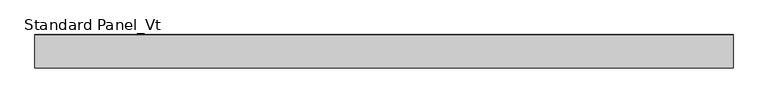
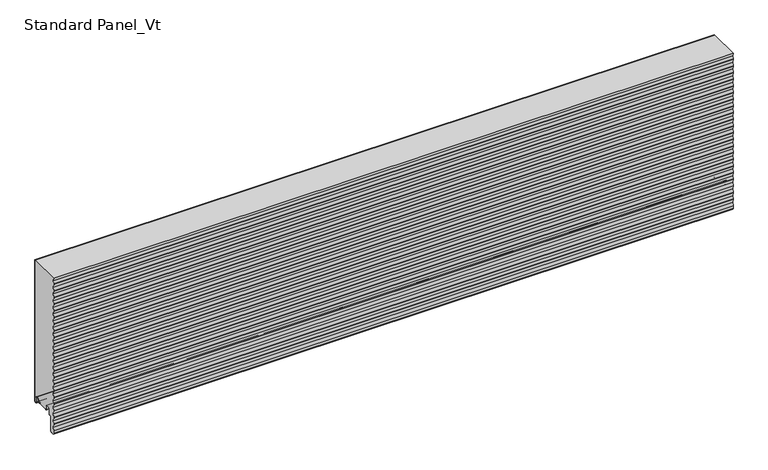
"""IFC4 building model written with IfcOpenShell, lengths in millimetres: proxy geometry, Standard Panel_Vt."""

from ifc_helpers import new_model, si_unit, point, frame, frame_2d, origin, place, context, project, spatial, polyline, circle_curve, trimmed, segment, composite_curve, outline, extrude, source, transform, mapped, element, save
from ifc_brep_helpers import plane_surface, cylinder_surface, revolved_surface, advanced_brep


def standard_panel_vt_851aef4b(model_context):
    return source(origin(), model_context, "Body", "SolidModel", [
        advanced_brep(
        [(723.9042608, -16.8616061, 8.3748387), (723.9042608, -17.5608112, 13.298966), (723.9042608, -16.7687564, 13.4114344), (723.9042608, -16.0695512, 8.4873071), (723.9042608, -14.4896502, 8.460857), (723.9042608, -13.7270772, 12.7856233), (723.9042608, -4.2, 11.9521121), (723.9042608, -4.2, 2.4521121), (723.9042608, -0.8, 2.4521121), (723.9042608, -0.8, 320.0), (723.9042608, -68.9297841, 320.0), (723.9042608, -68.2307297, 314.7570927), (723.9042608, -69.1685508, 307.7234349), (723.9042608, -69.1685508, 306.770268), (723.9042608, -68.2307297, 299.7366102), (723.9042608, -69.1685508, 292.7029524), (723.9042608, -69.1685508, 291.7497855), (723.9042608, -68.2307297, 284.7161278), (723.9042608, -69.1685508, 277.68247), (723.9042608, -69.1685508, 276.7293031), (723.9042608, -68.2307297, 269.6956453), (723.9042608, -69.1685508, 262.6619875), (723.9042608, -69.1685508, 261.7088206), (723.9042608, -68.2307297, 254.6751629), (723.9042608, -69.1685508, 247.6415051), (723.9042608, -69.1685508, 246.6883382), (723.9042608, -68.2307297, 239.6546804), (723.9042608, -69.1685508, 232.6210227), (723.9042608, -69.1685508, 231.6678557), (723.9042608, -68.2307297, 224.634198), (723.9042608, -69.1685508, 217.6005402), (723.9042608, -69.1685508, 216.6473733), (723.9042608, -68.2307297, 209.6137155), (723.9042608, -69.1685508, 202.5800578), (723.9042608, -69.1685508, 201.6268908), (723.9042608, -68.2307297, 194.5932331), (723.9042608, -69.1685508, 187.5595753), (723.9042608, -69.1685508, 186.6064084), (723.9042608, -68.2307297, 179.5727507), (723.9042608, -69.1685508, 172.5390929), (723.9042608, -69.1685508, 171.585926), (723.9042608, -68.2307297, 164.5522682), (723.9042608, -69.1685508, 157.5186104), (723.9042608, -69.1685508, 156.5654435), (723.9042608, -68.2307297, 149.5317858), (723.9042608, -69.1685508, 142.498128), (723.9042608, -69.1685508, 141.5449611), (723.9042608, -68.2307297, 134.5113033), (723.9042608, -69.1685508, 127.4776455), (723.9042608, -69.1685508, 126.5244786), (723.9042608, -68.2307297, 119.4908209), (723.9042608, -69.1685508, 112.4571631), (723.9042608, -69.1685508, 111.5039962), (723.9042608, -68.2307297, 104.4703384), (723.9042608, -69.1685508, 97.4366807), (723.9042608, -69.1685508, 96.4835137), (723.9042608, -68.2307297, 89.449856), (723.9042608, -69.1685508, 82.4161982), (723.9042608, -69.1685508, 81.4630313), (723.9042608, -68.2307297, 74.4293735), (723.9042608, -69.1685508, 67.3957158), (723.9042608, -69.1685508, 66.4425488), (723.9042608, -68.2307297, 59.4088911), (723.9042608, -69.1685508, 52.3752333), (723.9042608, -69.1685508, 51.4220664), (723.9042608, -68.2307297, 44.3884087), (723.9042608, -69.1685508, 37.3547509), (723.9042608, -69.1685508, 36.401584), (723.9042608, -68.2307297, 29.3679262), (723.9042608, -69.2320952, 21.857685), (723.9042608, -68.2307297, 14.3474437), (723.9042608, -69.1685508, 7.313786), (723.9042608, -69.1685508, 6.3606191), (723.9042608, -68.2307297, -0.6730387), (723.9042608, -69.1685508, -7.7066964), (723.9042608, -69.1685508, -8.6598634), (723.9042608, -68.2307297, -15.6935211), (723.9042608, -69.2001678, -22.9643066), (723.9042608, -69.2001678, -28.9549199), (723.9042608, -66.199151, -31.704823), (723.9042608, -61.4524611, -31.2895029), (723.9042608, -58.8050506, -28.4003379), (723.9042608, -58.8050506, 1.2289307), (723.9042608, -56.4052467, 3.6287346), (723.9042608, -54.4052467, 3.6287346), (723.9042608, -52.8050506, 5.2289307), (723.9042608, -52.8050506, 15.8984215), (723.9042608, -49.6552467, 19.0482254), (723.9042608, -45.2552452, 19.0482254), (723.9042608, -42.1054412, 15.8984215), (723.9042608, -42.1054413, 8.1391937), (723.9042608, -41.3050506, 8.1391937), (723.9042608, -41.3050506, 9.509193), (723.9042608, -40.5050506, 9.509193), (723.9042608, -40.5050506, 8.1391937), (723.9042608, -41.327315, 7.000055), (723.9042608, -15.3042944, 7.0), (-723.9042608, -16.8616061, 8.3748387), (-723.9042608, -15.3042944, 7.0), (-723.9042608, -41.327315, 7.000055), (-723.9042608, -40.5050506, 8.1391937), (-723.9042608, -40.5050506, 9.509193), (-723.9042608, -41.3050506, 9.509193), (-723.9042608, -41.3050506, 8.1391937), (-723.9042608, -42.1054413, 8.1391937), (-723.9042608, -42.1054413, 15.8984215), (-723.9042608, -45.2552452, 19.0482254), (-723.9042608, -49.6552467, 19.0482254), (-723.9042608, -52.8050506, 15.8984215), (-723.9042608, -52.8050506, 5.2289307), (-723.9042608, -54.4052467, 3.6287346), (-723.9042608, -56.4052467, 3.6287346), (-723.9042608, -58.8050506, 1.2289307), (-723.9042608, -58.8050506, -28.4003379), (-723.9042608, -61.4524611, -31.2895029), (-723.9042608, -66.199151, -31.704823), (-723.9042608, -69.2001678, -28.9549199), (-723.9042608, -69.2001678, -22.9643066), (-723.9042608, -68.2307297, -15.6935211), (-723.9042608, -69.1685508, -8.6598634), (-723.9042608, -69.1685508, -7.7066964), (-723.9042608, -68.2307297, -0.6730387), (-723.9042608, -69.1685508, 6.3606191), (-723.9042608, -69.1685508, 7.313786), (-723.9042608, -68.2307297, 14.3474437), (-723.9042608, -69.2320952, 21.857685), (-723.9042608, -68.2307297, 29.3679262), (-723.9042608, -69.1685508, 36.401584), (-723.9042608, -69.1685508, 37.3547509), (-723.9042608, -68.2307297, 44.3884087), (-723.9042608, -69.1685508, 51.4220664), (-723.9042608, -69.1685508, 52.3752333), (-723.9042608, -68.2307297, 59.4088911), (-723.9042608, -69.1685508, 66.4425488), (-723.9042608, -69.1685508, 67.3957158), (-723.9042608, -68.2307297, 74.4293735), (-723.9042608, -69.1685508, 81.4630313), (-723.9042608, -69.1685508, 82.4161982), (-723.9042608, -68.2307297, 89.449856), (-723.9042608, -69.1685508, 96.4835137), (-723.9042608, -69.1685508, 97.4366807), (-723.9042608, -68.2307297, 104.4703384), (-723.9042608, -69.1685508, 111.5039962), (-723.9042608, -69.1685508, 112.4571631), (-723.9042608, -68.2307297, 119.4908209), (-723.9042608, -69.1685508, 126.5244786), (-723.9042608, -69.1685508, 127.4776455), (-723.9042608, -68.2307297, 134.5113033), (-723.9042608, -69.1685508, 141.5449611), (-723.9042608, -69.1685508, 142.498128), (-723.9042608, -68.2307297, 149.5317858), (-723.9042608, -69.1685508, 156.5654435), (-723.9042608, -69.1685508, 157.5186104), (-723.9042608, -68.2307297, 164.5522682), (-723.9042608, -69.1685508, 171.585926), (-723.9042608, -69.1685508, 172.5390929), (-723.9042608, -68.2307297, 179.5727507), (-723.9042608, -69.1685508, 186.6064084), (-723.9042608, -69.1685508, 187.5595753), (-723.9042608, -68.2307297, 194.5932331), (-723.9042608, -69.1685508, 201.6268908), (-723.9042608, -69.1685508, 202.5800578), (-723.9042608, -68.2307297, 209.6137155), (-723.9042608, -69.1685508, 216.6473733), (-723.9042608, -69.1685508, 217.6005402), (-723.9042608, -68.2307297, 224.634198), (-723.9042608, -69.1685508, 231.6678557), (-723.9042608, -69.1685508, 232.6210227), (-723.9042608, -68.2307297, 239.6546804), (-723.9042608, -69.1685508, 246.6883382), (-723.9042608, -69.1685508, 247.6415051), (-723.9042608, -68.2307297, 254.6751629), (-723.9042608, -69.1685508, 261.7088206), (-723.9042608, -69.1685508, 262.6619875), (-723.9042608, -68.2307297, 269.6956453), (-723.9042608, -69.1685508, 276.7293031), (-723.9042608, -69.1685508, 277.68247), (-723.9042608, -68.2307297, 284.7161278), (-723.9042608, -69.1685508, 291.7497855), (-723.9042608, -69.1685508, 292.7029524), (-723.9042608, -68.2307297, 299.7366102), (-723.9042608, -69.1685508, 306.770268), (-723.9042608, -69.1685508, 307.7234349), (-723.9042608, -68.2307297, 314.7570927), (-723.9042608, -68.9297841, 320.0), (-723.9042608, -0.8, 320.0), (-723.9042608, -0.8, 2.4521121), (-723.9042608, -4.2, 2.4521121), (-723.9042608, -4.2, 11.9521121), (-723.9042608, -13.7270772, 12.7856233), (-723.9042608, -14.4896502, 8.460857), (-723.9042608, -16.0695512, 8.4873071), (-723.9042608, -16.7687564, 13.4114344), (-723.9042608, -17.5608112, 13.298966)],
        [
            (0, 1),
            (1, 2),
            (2, 3),
            (3, 4, circle_curve(frame((723.9042608, -15.2774964, 8.5997756), z_axis=(1.0, 0.0, 0.0), x_axis=(0.0, 0.9848077530117169, -0.17364817766971632)), 0.8)),
            (4, 5),
            (5, 6, circle_curve(frame((723.9042608, -9.0, 11.9521121), z_axis=(-1.0, 0.0, 0.0), x_axis=(0.0, 1.0, 1.866951038208841e-12)), 4.8)),
            (6, 7),
            (7, 8, circle_curve(frame((723.9042608, -2.5, 2.4521121), z_axis=(1.0, 0.0, 0.0), x_axis=(0.0, 1.0, 2.9103830456776054e-12)), 1.7)),
            (8, 9),
            (9, 10),
            (10, 11),
            (11, 12),
            (12, 13, circle_curve(frame((723.9042608, -65.5941749, 307.2468514), z_axis=(1.0, 0.0, 0.0), x_axis=(0.0, -0.9912279006026581, -0.1321637206908423)), 3.6060082)),
            (13, 14),
            (14, 15),
            (15, 16, circle_curve(frame((723.9042608, -65.5941749, 292.226369), z_axis=(1.0, 0.0, 0.0), x_axis=(0.0, -0.991227900604324, -0.13216372067834886)), 3.6060082)),
            (16, 17),
            (17, 18),
            (18, 19, circle_curve(frame((723.9042608, -65.5941749, 277.2058865), z_axis=(1.0, 0.0, 0.0), x_axis=(0.0, -0.9912279006026437, -0.1321637206909507)), 3.6060082)),
            (19, 20),
            (20, 21),
            (21, 22, circle_curve(frame((723.9042608, -65.5941749, 262.1854041), z_axis=(1.0, 0.0, 0.0), x_axis=(0.0, -0.991227900604324, -0.13216372067834883)), 3.6060082)),
            (22, 23),
            (23, 24),
            (24, 25, circle_curve(frame((723.9042608, -65.5941749, 247.1649216), z_axis=(1.0, 0.0, 0.0), x_axis=(0.0, -0.9912279006026437, -0.1321637206909507)), 3.6060082)),
            (25, 26),
            (26, 27),
            (27, 28, circle_curve(frame((723.9042608, -65.5941749, 232.1444392), z_axis=(1.0, 0.0, 0.0), x_axis=(0.0, -0.9912279006026581, -0.13216372069084273)), 3.6060082)),
            (28, 29),
            (29, 30),
            (30, 31, circle_curve(frame((723.9042608, -65.5941749, 217.1239568), z_axis=(1.0, 0.0, 0.0), x_axis=(0.0, -0.991227900604324, -0.13216372067834886)), 3.6060082)),
            (31, 32),
            (32, 33),
            (33, 34, circle_curve(frame((723.9042608, -65.5941749, 202.1034743), z_axis=(1.0, 0.0, 0.0), x_axis=(0.0, -0.991227900604324, -0.13216372067834883)), 3.6060082)),
            (34, 35),
            (35, 36),
            (36, 37, circle_curve(frame((723.9042608, -65.5941749, 187.0829919), z_axis=(1.0, 0.0, 0.0), x_axis=(0.0, -0.991227900604324, -0.13216372067834883)), 3.6060082)),
            (37, 38),
            (38, 39),
            (39, 40, circle_curve(frame((723.9042608, -65.5941749, 172.0625094), z_axis=(1.0, 0.0, 0.0), x_axis=(0.0, -0.9912279006026581, -0.13216372069084228)), 3.6060082)),
            (40, 41),
            (41, 42),
            (42, 43, circle_curve(frame((723.9042608, -65.5941749, 157.042027), z_axis=(1.0, 0.0, 0.0), x_axis=(0.0, -0.991227900604324, -0.13216372067834883)), 3.6060082)),
            (43, 44),
            (44, 45),
            (45, 46, circle_curve(frame((723.9042608, -65.5941749, 142.0215445), z_axis=(1.0, 0.0, 0.0), x_axis=(0.0, -0.991227900604324, -0.13216372067834886)), 3.6060082)),
            (46, 47),
            (47, 48),
            (48, 49, circle_curve(frame((723.9042608, -65.5941749, 127.0010621), z_axis=(1.0, 0.0, 0.0), x_axis=(0.0, -0.991227900604324, -0.13216372067834886)), 3.6060082)),
            (49, 50),
            (50, 51),
            (51, 52, circle_curve(frame((723.9042608, -65.5941749, 111.9805796), z_axis=(1.0, 0.0, 0.0), x_axis=(0.0, -0.9912279006026437, -0.1321637206909507)), 3.6060082)),
            (52, 53),
            (53, 54),
            (54, 55, circle_curve(frame((723.9042608, -65.5941749, 96.9600972), z_axis=(1.0, 0.0, 0.0), x_axis=(0.0, -0.9912279006026581, -0.13216372069084228)), 3.6060082)),
            (55, 56),
            (56, 57),
            (57, 58, circle_curve(frame((723.9042608, -65.5941749, 81.9396148), z_axis=(1.0, 0.0, 0.0), x_axis=(0.0, -0.991227900604324, -0.13216372067834886)), 3.6060082)),
            (58, 59),
            (59, 60),
            (60, 61, circle_curve(frame((723.9042608, -65.5941749, 66.9191323), z_axis=(1.0, 0.0, 0.0), x_axis=(0.0, -0.9912279006026581, -0.13216372069084273)), 3.6060082)),
            (61, 62),
            (62, 63),
            (63, 64, circle_curve(frame((723.9042608, -65.5941749, 51.8986499), z_axis=(1.0, 0.0, 0.0), x_axis=(0.0, -0.991227900604324, -0.13216372067834886)), 3.6060082)),
            (64, 65),
            (65, 66),
            (66, 67, circle_curve(frame((723.9042608, -65.5941749, 36.8781674), z_axis=(1.0, 0.0, 0.0), x_axis=(0.0, -0.9912279006026437, -0.13216372069095067)), 3.6060082)),
            (67, 68),
            (68, 69),
            (69, 70),
            (70, 71),
            (71, 72, circle_curve(frame((723.9042608, -65.5941749, 6.8372025), z_axis=(1.0, 0.0, 0.0), x_axis=(0.0, -0.9912279006835754, -0.13216372008396318)), 3.6060082)),
            (72, 73),
            (73, 74),
            (74, 75, circle_curve(frame((723.9042608, -65.5941749, -8.1832799), z_axis=(1.0, 0.0, 0.0), x_axis=(0.0, -0.9912279006819383, -0.13216372009624072)), 3.6060082)),
            (75, 76),
            (76, 77),
            (77, 78),
            (78, 79, circle_curve(frame((723.9042608, -66.4397587, -28.9549199), z_axis=(1.0, 0.0, 0.0), x_axis=(0.0, 0.0872609266942445, -0.9961854900933168)), 2.7604092)),
            (79, 80),
            (80, 81, circle_curve(frame((723.9042608, -61.7052538, -28.4003379), z_axis=(1.0, 0.0, 0.0), x_axis=(0.0, 0.9999999982109751, -5.9816804062999516e-05)), 2.9002032)),
            (81, 82),
            (82, 83, circle_curve(frame((723.9042608, -56.4052467, 1.2289307), z_axis=(-1.0, 0.0, 0.0), x_axis=(0.0, -0.00012160837720593023, 0.9999999926057013)), 2.3998039)),
            (83, 84),
            (84, 85, circle_curve(frame((723.9042608, -54.4052467, 5.2289307), z_axis=(1.0, 0.0, 0.0), x_axis=(0.0, 0.9999999967149873, -8.105569452879044e-05)), 1.6001961)),
            (85, 86),
            (86, 87, circle_curve(frame((723.9042608, -49.6552467, 15.8984215), z_axis=(-1.0, 0.0, 0.0), x_axis=(0.0, -8.279395633477211e-05, 0.9999999965725804)), 3.1498039)),
            (87, 88),
            (88, 89, circle_curve(frame((723.9042608, -45.2552452, 15.8984215), z_axis=(-1.0, 0.0, 0.0), x_axis=(0.0, 0.9999999965725807, -8.279395323189944e-05)), 3.1498039)),
            (89, 90),
            (90, 91, circle_curve(frame((723.9042608, -41.7052459, 8.1391937), z_axis=(1.0, 0.0, 0.0), x_axis=(0.0, 1.0, 0.0)), 0.4001953)),
            (91, 92),
            (92, 93),
            (93, 94),
            (94, 95, circle_curve(frame((723.9042608, -41.7052459, 8.1391937), z_axis=(-1.0, 0.0, 0.0), x_axis=(0.0, 1.0, 0.0)), 1.2001953)),
            (95, 96),
            (96, 0, circle_curve(frame((723.9042608, -15.2774964, 8.5997756), z_axis=(-1.0, 0.0, 0.0), x_axis=(0.0, 0.9848077530117169, -0.17364817766971632)), 1.6)),
            (97, 98, circle_curve(frame((-723.9042608, -15.2774964, 8.5997756), z_axis=(1.0, 0.0, 0.0), x_axis=(0.0, 0.9848077530117169, -0.17364817766971632)), 1.6)),
            (98, 99),
            (99, 100, circle_curve(frame((-723.9042608, -41.7052459, 8.1391937), z_axis=(1.0, 0.0, 0.0), x_axis=(0.0, 1.0, 0.0)), 1.2001953)),
            (100, 101),
            (101, 102),
            (102, 103),
            (103, 104, circle_curve(frame((-723.9042608, -41.7052459, 8.1391937), z_axis=(-1.0, 0.0, 0.0), x_axis=(0.0, 1.0, 0.0)), 0.4001953)),
            (104, 105),
            (105, 106, circle_curve(frame((-723.9042608, -45.2552452, 15.8984215), z_axis=(1.0, 0.0, 0.0), x_axis=(0.0, 0.9999999965725807, -8.279395323189944e-05)), 3.1498039)),
            (106, 107),
            (107, 108, circle_curve(frame((-723.9042608, -49.6552467, 15.8984215), z_axis=(1.0, 0.0, 0.0), x_axis=(0.0, -8.279395633477211e-05, 0.9999999965725804)), 3.1498039)),
            (108, 109),
            (109, 110, circle_curve(frame((-723.9042608, -54.4052467, 5.2289307), z_axis=(-1.0, 0.0, 0.0), x_axis=(0.0, 0.9999999967149873, -8.105569452879044e-05)), 1.6001961)),
            (110, 111),
            (111, 112, circle_curve(frame((-723.9042608, -56.4052467, 1.2289307), z_axis=(1.0, 0.0, 0.0), x_axis=(0.0, -0.00012160837720593023, 0.9999999926057013)), 2.3998039)),
            (112, 113),
            (113, 114, circle_curve(frame((-723.9042608, -61.7052538, -28.4003379), z_axis=(-1.0, 0.0, 0.0), x_axis=(0.0, 0.9999999982109751, -5.9816804062999516e-05)), 2.9002032)),
            (114, 115),
            (115, 116, circle_curve(frame((-723.9042608, -66.4397587, -28.9549199), z_axis=(-1.0, 0.0, 0.0), x_axis=(0.0, 0.0872609266942445, -0.9961854900933168)), 2.7604092)),
            (116, 117),
            (117, 118),
            (118, 119),
            (119, 120, circle_curve(frame((-723.9042608, -65.5941749, -8.1832799), z_axis=(-1.0, 0.0, 0.0), x_axis=(0.0, -0.9912279006819383, -0.13216372009624072)), 3.6060082)),
            (120, 121),
            (121, 122),
            (122, 123, circle_curve(frame((-723.9042608, -65.5941749, 6.8372025), z_axis=(-1.0, 0.0, 0.0), x_axis=(0.0, -0.9912279006835754, -0.13216372008396318)), 3.6060082)),
            (123, 124),
            (124, 125),
            (125, 126),
            (126, 127),
            (127, 128, circle_curve(frame((-723.9042608, -65.5941749, 36.8781674), z_axis=(-1.0, 0.0, 0.0), x_axis=(0.0, -0.9912279006026437, -0.13216372069095067)), 3.6060082)),
            (128, 129),
            (129, 130),
            (130, 131, circle_curve(frame((-723.9042608, -65.5941749, 51.8986499), z_axis=(-1.0, 0.0, 0.0), x_axis=(0.0, -0.991227900604324, -0.13216372067834886)), 3.6060082)),
            (131, 132),
            (132, 133),
            (133, 134, circle_curve(frame((-723.9042608, -65.5941749, 66.9191323), z_axis=(-1.0, 0.0, 0.0), x_axis=(0.0, -0.9912279006026581, -0.13216372069084273)), 3.6060082)),
            (134, 135),
            (135, 136),
            (136, 137, circle_curve(frame((-723.9042608, -65.5941749, 81.9396148), z_axis=(-1.0, 0.0, 0.0), x_axis=(0.0, -0.991227900604324, -0.13216372067834886)), 3.6060082)),
            (137, 138),
            (138, 139),
            (139, 140, circle_curve(frame((-723.9042608, -65.5941749, 96.9600972), z_axis=(-1.0, 0.0, 0.0), x_axis=(0.0, -0.9912279006026581, -0.13216372069084228)), 3.6060082)),
            (140, 141),
            (141, 142),
            (142, 143, circle_curve(frame((-723.9042608, -65.5941749, 111.9805796), z_axis=(-1.0, 0.0, 0.0), x_axis=(0.0, -0.9912279006026437, -0.1321637206909507)), 3.6060082)),
            (143, 144),
            (144, 145),
            (145, 146, circle_curve(frame((-723.9042608, -65.5941749, 127.0010621), z_axis=(-1.0, 0.0, 0.0), x_axis=(0.0, -0.991227900604324, -0.13216372067834886)), 3.6060082)),
            (146, 147),
            (147, 148),
            (148, 149, circle_curve(frame((-723.9042608, -65.5941749, 142.0215445), z_axis=(-1.0, 0.0, 0.0), x_axis=(0.0, -0.991227900604324, -0.13216372067834886)), 3.6060082)),
            (149, 150),
            (150, 151),
            (151, 152, circle_curve(frame((-723.9042608, -65.5941749, 157.042027), z_axis=(-1.0, 0.0, 0.0), x_axis=(0.0, -0.991227900604324, -0.13216372067834883)), 3.6060082)),
            (152, 153),
            (153, 154),
            (154, 155, circle_curve(frame((-723.9042608, -65.5941749, 172.0625094), z_axis=(-1.0, 0.0, 0.0), x_axis=(0.0, -0.9912279006026581, -0.13216372069084228)), 3.6060082)),
            (155, 156),
            (156, 157),
            (157, 158, circle_curve(frame((-723.9042608, -65.5941749, 187.0829919), z_axis=(-1.0, 0.0, 0.0), x_axis=(0.0, -0.991227900604324, -0.13216372067834883)), 3.6060082)),
            (158, 159),
            (159, 160),
            (160, 161, circle_curve(frame((-723.9042608, -65.5941749, 202.1034743), z_axis=(-1.0, 0.0, 0.0), x_axis=(0.0, -0.991227900604324, -0.13216372067834883)), 3.6060082)),
            (161, 162),
            (162, 163),
            (163, 164, circle_curve(frame((-723.9042608, -65.5941749, 217.1239568), z_axis=(-1.0, 0.0, 0.0), x_axis=(0.0, -0.991227900604324, -0.13216372067834886)), 3.6060082)),
            (164, 165),
            (165, 166),
            (166, 167, circle_curve(frame((-723.9042608, -65.5941749, 232.1444392), z_axis=(-1.0, 0.0, 0.0), x_axis=(0.0, -0.9912279006026581, -0.13216372069084273)), 3.6060082)),
            (167, 168),
            (168, 169),
            (169, 170, circle_curve(frame((-723.9042608, -65.5941749, 247.1649216), z_axis=(-1.0, 0.0, 0.0), x_axis=(0.0, -0.9912279006026437, -0.1321637206909507)), 3.6060082)),
            (170, 171),
            (171, 172),
            (172, 173, circle_curve(frame((-723.9042608, -65.5941749, 262.1854041), z_axis=(-1.0, 0.0, 0.0), x_axis=(0.0, -0.991227900604324, -0.13216372067834883)), 3.6060082)),
            (173, 174),
            (174, 175),
            (175, 176, circle_curve(frame((-723.9042608, -65.5941749, 277.2058865), z_axis=(-1.0, 0.0, 0.0), x_axis=(0.0, -0.9912279006026437, -0.1321637206909507)), 3.6060082)),
            (176, 177),
            (177, 178),
            (178, 179, circle_curve(frame((-723.9042608, -65.5941749, 292.226369), z_axis=(-1.0, 0.0, 0.0), x_axis=(0.0, -0.991227900604324, -0.13216372067834886)), 3.6060082)),
            (179, 180),
            (180, 181),
            (181, 182, circle_curve(frame((-723.9042608, -65.5941749, 307.2468514), z_axis=(-1.0, 0.0, 0.0), x_axis=(0.0, -0.9912279006026581, -0.1321637206908423)), 3.6060082)),
            (182, 183),
            (183, 184),
            (184, 185),
            (185, 186),
            (186, 187, circle_curve(frame((-723.9042608, -2.5, 2.4521121), z_axis=(-1.0, 0.0, 0.0), x_axis=(0.0, 1.0, 2.9103830456776054e-12)), 1.7)),
            (187, 188),
            (188, 189, circle_curve(frame((-723.9042608, -9.0, 11.9521121), z_axis=(1.0, 0.0, 0.0), x_axis=(0.0, 1.0, 1.866951038208841e-12)), 4.8)),
            (189, 190),
            (190, 191, circle_curve(frame((-723.9042608, -15.2774964, 8.5997756), z_axis=(-1.0, 0.0, 0.0), x_axis=(0.0, 0.9848077530117169, -0.17364817766971632)), 0.8)),
            (191, 192),
            (192, 193),
            (193, 97),
            (95, 99),
            (98, 96),
            (185, 9),
            (8, 186),
            (7, 187),
            (6, 188),
            (5, 189),
            (4, 190),
            (3, 191),
            (2, 192),
            (1, 193),
            (0, 97),
            (184, 10),
            (183, 11),
            (182, 12),
            (181, 13),
            (180, 14),
            (179, 15),
            (178, 16),
            (177, 17),
            (176, 18),
            (175, 19),
            (174, 20),
            (173, 21),
            (172, 22),
            (171, 23),
            (170, 24),
            (169, 25),
            (168, 26),
            (167, 27),
            (166, 28),
            (165, 29),
            (164, 30),
            (163, 31),
            (162, 32),
            (161, 33),
            (160, 34),
            (159, 35),
            (158, 36),
            (157, 37),
            (156, 38),
            (155, 39),
            (154, 40),
            (153, 41),
            (152, 42),
            (151, 43),
            (150, 44),
            (149, 45),
            (148, 46),
            (147, 47),
            (146, 48),
            (145, 49),
            (144, 50),
            (143, 51),
            (142, 52),
            (141, 53),
            (140, 54),
            (139, 55),
            (138, 56),
            (137, 57),
            (136, 58),
            (135, 59),
            (134, 60),
            (133, 61),
            (132, 62),
            (131, 63),
            (130, 64),
            (129, 65),
            (128, 66),
            (127, 67),
            (126, 68),
            (125, 69),
            (124, 70),
            (123, 71),
            (122, 72),
            (121, 73),
            (120, 74),
            (119, 75),
            (118, 76),
            (117, 77),
            (116, 78),
            (115, 79),
            (114, 80),
            (113, 81),
            (112, 82),
            (111, 83),
            (110, 84),
            (109, 85),
            (108, 86),
            (107, 87),
            (106, 88),
            (105, 89),
            (104, 90),
            (103, 91),
            (102, 92),
            (101, 93),
            (100, 94),
        ],
        [
            plane_surface(frame((723.9042608, -40.3050506, 1046.5521121), z_axis=(1.0, 0.0, 0.0), x_axis=(0.0, 0.0, 1.0))),
            plane_surface(frame((-723.9042608, -40.3050506, 1046.5521121), z_axis=(-1.0, 0.0, 0.0), x_axis=(0.0, 0.0, -1.0))),
            plane_surface(frame((723.9042608, -17.7608112, 7.0), z_axis=(0.0, 0.0, -1.0), x_axis=(-1.0, 0.0, 0.0))),
            plane_surface(frame((-723.9042608, -0.8, 2.4521121), z_axis=(0.0, 1.0, 0.0), x_axis=(1.0, 0.0, 0.0))),
            cylinder_surface(frame((-723.9042608, -2.5, 2.4521121), z_axis=(-1.0, 0.0, 0.0), x_axis=(0.0, 1.0, 2.9103830456776054e-12)), 1.7),
            plane_surface(frame((-723.9042608, -4.2, 11.9521121), z_axis=(0.0, -1.0, 0.0), x_axis=(1.0, 0.0, 0.0))),
            revolved_surface(polyline([(723.9042608, -4.2, 11.952112100008963), (-723.9042608, -4.2, 11.952112100008963)]), (-723.9042608, -9.0, 11.9521121), (1.0, 0.0, 0.0)),
            plane_surface(frame((-723.9042608, -14.4896502, 8.460857), z_axis=(0.0, 0.9848077530121855, -0.17364817766705862), x_axis=(1.0, 0.0, 0.0))),
            cylinder_surface(frame((-723.9042608, -15.2774964, 8.5997756), z_axis=(-1.0000000000000002, 0.0, 0.0), x_axis=(0.0, 0.9848077530117169, -0.17364817766971632)), 0.8),
            plane_surface(frame((-723.9042608, -16.7687564, 13.4114344), z_axis=(0.0, -0.9900685376978281, -0.1405855279212071), x_axis=(1.0, 0.0, 0.0))),
            plane_surface(frame((-723.9042608, -17.5608112, 13.298966), z_axis=(0.0, 0.14058552792117013, -0.9900685376978333), x_axis=(1.0, 0.0, 0.0))),
            plane_surface(frame((-723.9042608, -16.8616061, 8.3748387), z_axis=(0.0, 0.9900685376978282, 0.14058552792120682), x_axis=(1.0, 0.0, 0.0))),
            revolved_surface(polyline([(723.9042608000004, -13.701803995181253, 8.321938515728453), (-723.9042608, -13.701803995181253, 8.321938515728453)]), (-723.9042608, -15.2774964, 8.5997756), (1.0000000000000002, 0.0, 0.0)),
            plane_surface(frame((723.9042608, 0.0, 320.0), z_axis=(0.0, 0.0, 1.0), x_axis=(-1.0, 0.0, 0.0))),
            plane_surface(frame((-723.9042608, -69.1685508, 321.7907504), z_axis=(0.0, -0.9912279006005887, -0.13216372070636292), x_axis=(1.0, 0.0, 0.0))),
            plane_surface(frame((-723.9042608, -68.2307297, 314.7570927), z_axis=(0.0, -0.9912279006858806, 0.13216372006667362), x_axis=(1.0, 0.0, 0.0))),
            cylinder_surface(frame((-723.9042608, -65.5941749, 307.2468514), z_axis=(-1.0, 0.0, 0.0), x_axis=(0.0, -0.9912279006026581, -0.1321637206908423)), 3.6060082),
            plane_surface(frame((-723.9042608, -69.1685508, 306.770268), z_axis=(0.0, -0.991227900600589, -0.132163720706361), x_axis=(1.0, 0.0, 0.0))),
            plane_surface(frame((-723.9042608, -68.2307297, 299.7366102), z_axis=(0.0, -0.9912279006858443, 0.13216372006694557), x_axis=(1.0, 0.0, 0.0))),
            cylinder_surface(frame((-723.9042608, -65.5941749, 292.226369), z_axis=(-1.0000000000000002, 0.0, 0.0), x_axis=(0.0, -0.991227900604324, -0.13216372067834886)), 3.6060082),
            plane_surface(frame((-723.9042608, -69.1685508, 291.7497855), z_axis=(0.0, -0.9912279006005164, -0.13216372070690602), x_axis=(1.0, 0.0, 0.0))),
            plane_surface(frame((-723.9042608, -68.2307297, 284.7161278), z_axis=(0.0, -0.9912279006859167, 0.13216372006640312), x_axis=(1.0, 0.0, 0.0))),
            cylinder_surface(frame((-723.9042608, -65.5941749, 277.2058865), z_axis=(-1.0, 0.0, 0.0), x_axis=(0.0, -0.9912279006026437, -0.1321637206909507)), 3.6060082),
            plane_surface(frame((-723.9042608, -69.1685508, 276.7293031), z_axis=(0.0, -0.9912279006004433, -0.13216372070745358), x_axis=(1.0, 0.0, 0.0))),
            plane_surface(frame((-723.9042608, -68.2307297, 269.6956453), z_axis=(0.0, -0.991227900685917, 0.1321637200664009), x_axis=(1.0, 0.0, 0.0))),
            cylinder_surface(frame((-723.9042608, -65.5941749, 262.1854041), z_axis=(-1.0000000000000002, 0.0, 0.0), x_axis=(0.0, -0.991227900604324, -0.13216372067834883)), 3.6060082),
            plane_surface(frame((-723.9042608, -69.1685508, 261.7088206), z_axis=(0.0, -0.9912279006003343, -0.13216372070827082), x_axis=(1.0, 0.0, 0.0))),
            plane_surface(frame((-723.9042608, -68.2307297, 254.6751629), z_axis=(0.0, -0.9912279006855717, 0.13216372006899083), x_axis=(1.0, 0.0, 0.0))),
            cylinder_surface(frame((-723.9042608, -65.5941749, 247.1649216), z_axis=(-1.0, 0.0, 0.0), x_axis=(0.0, -0.9912279006026437, -0.1321637206909507)), 3.6060082),
            plane_surface(frame((-723.9042608, -69.1685508, 246.6883382), z_axis=(0.0, -0.9912279006005161, -0.13216372070690763), x_axis=(1.0, 0.0, 0.0))),
            plane_surface(frame((-723.9042608, -68.2307297, 239.6546804), z_axis=(0.0, -0.9912279006858442, 0.13216372006694654), x_axis=(1.0, 0.0, 0.0))),
            cylinder_surface(frame((-723.9042608, -65.5941749, 232.1444392), z_axis=(-1.0000000000000002, 0.0, 0.0), x_axis=(0.0, -0.9912279006026581, -0.13216372069084273)), 3.6060082),
            plane_surface(frame((-723.9042608, -69.1685508, 231.6678557), z_axis=(0.0, -0.9912279006005161, -0.13216372070690763), x_axis=(1.0, 0.0, 0.0))),
            plane_surface(frame((-723.9042608, -68.2307297, 224.634198), z_axis=(0.0, -0.9912279006858443, 0.13216372006694624), x_axis=(1.0, 0.0, 0.0))),
            cylinder_surface(frame((-723.9042608, -65.5941749, 217.1239568), z_axis=(-1.0000000000000002, 0.0, 0.0), x_axis=(0.0, -0.991227900604324, -0.13216372067834886)), 3.6060082),
            plane_surface(frame((-723.9042608, -69.1685508, 216.6473733), z_axis=(0.0, -0.9912279006005887, -0.13216372070636243), x_axis=(1.0, 0.0, 0.0))),
            plane_surface(frame((-723.9042608, -68.2307297, 209.6137155), z_axis=(0.0, -0.9912279006858442, 0.13216372006694685), x_axis=(1.0, 0.0, 0.0))),
            cylinder_surface(frame((-723.9042608, -65.5941749, 202.1034743), z_axis=(-1.0000000000000002, 0.0, 0.0), x_axis=(0.0, -0.991227900604324, -0.13216372067834883)), 3.6060082),
            plane_surface(frame((-723.9042608, -69.1685508, 201.6268908), z_axis=(0.0, -0.9912279006003161, -0.13216372070840735), x_axis=(1.0, 0.0, 0.0))),
            plane_surface(frame((-723.9042608, -68.2307297, 194.5932331), z_axis=(0.0, -0.9912279006857718, 0.13216372006749028), x_axis=(1.0, 0.0, 0.0))),
            cylinder_surface(frame((-723.9042608, -65.5941749, 187.0829919), z_axis=(-1.0000000000000002, 0.0, 0.0), x_axis=(0.0, -0.991227900604324, -0.13216372067834883)), 3.6060082),
            plane_surface(frame((-723.9042608, -69.1685508, 186.6064084), z_axis=(0.0, -0.9912279006003161, -0.13216372070840735), x_axis=(1.0, 0.0, 0.0))),
            plane_surface(frame((-723.9042608, -68.2307297, 179.5727507), z_axis=(0.0, -0.9912279006854989, 0.13216372006953614), x_axis=(1.0, 0.0, 0.0))),
            cylinder_surface(frame((-723.9042608, -65.5941749, 172.0625094), z_axis=(-1.0, 0.0, 0.0), x_axis=(0.0, -0.9912279006026581, -0.13216372069084228)), 3.6060082),
            plane_surface(frame((-723.9042608, -69.1685508, 171.585926), z_axis=(0.0, -0.9912279006004434, -0.13216372070745228), x_axis=(1.0, 0.0, 0.0))),
            plane_surface(frame((-723.9042608, -68.2307297, 164.5522682), z_axis=(0.0, -0.991227900685917, 0.1321637200664009), x_axis=(1.0, 0.0, 0.0))),
            cylinder_surface(frame((-723.9042608, -65.5941749, 157.042027), z_axis=(-1.0000000000000002, 0.0, 0.0), x_axis=(0.0, -0.991227900604324, -0.13216372067834883)), 3.6060082),
            plane_surface(frame((-723.9042608, -69.1685508, 156.5654435), z_axis=(0.0, -0.9912279006005887, -0.13216372070636306), x_axis=(1.0, 0.0, 0.0))),
            plane_surface(frame((-723.9042608, -68.2307297, 149.5317858), z_axis=(0.0, -0.9912279006861171, 0.13216372006490018), x_axis=(1.0, 0.0, 0.0))),
            cylinder_surface(frame((-723.9042608, -65.5941749, 142.0215445), z_axis=(-1.0000000000000002, 0.0, 0.0), x_axis=(0.0, -0.991227900604324, -0.13216372067834886)), 3.6060082),
            plane_surface(frame((-723.9042608, -69.1685508, 141.5449611), z_axis=(0.0, -0.9912279006005157, -0.13216372070691015), x_axis=(1.0, 0.0, 0.0))),
            plane_surface(frame((-723.9042608, -68.2307297, 134.5113033), z_axis=(0.0, -0.9912279006858442, 0.13216372006694685), x_axis=(1.0, 0.0, 0.0))),
            cylinder_surface(frame((-723.9042608, -65.5941749, 127.0010621), z_axis=(-1.0000000000000002, 0.0, 0.0), x_axis=(0.0, -0.991227900604324, -0.13216372067834886)), 3.6060082),
            plane_surface(frame((-723.9042608, -69.1685508, 126.5244786), z_axis=(0.0, -0.9912279006003163, -0.1321637207084061), x_axis=(1.0, 0.0, 0.0))),
            plane_surface(frame((-723.9042608, -68.2307297, 119.4908209), z_axis=(0.0, -0.9912279006855715, 0.1321637200689921), x_axis=(1.0, 0.0, 0.0))),
            cylinder_surface(frame((-723.9042608, -65.5941749, 111.9805796), z_axis=(-1.0, 0.0, 0.0), x_axis=(0.0, -0.9912279006026437, -0.1321637206909507)), 3.6060082),
            plane_surface(frame((-723.9042608, -69.1685508, 111.5039962), z_axis=(0.0, -0.9912279006002435, -0.13216372070895235), x_axis=(1.0, 0.0, 0.0))),
            plane_surface(frame((-723.9042608, -68.2307297, 104.4703384), z_axis=(0.0, -0.9912279006855714, 0.13216372006899255), x_axis=(1.0, 0.0, 0.0))),
            cylinder_surface(frame((-723.9042608, -65.5941749, 96.9600972), z_axis=(-1.0, 0.0, 0.0), x_axis=(0.0, -0.9912279006026581, -0.13216372069084228)), 3.6060082),
            plane_surface(frame((-723.9042608, -69.1685508, 96.4835137), z_axis=(0.0, -0.9912279006005892, -0.13216372070635926), x_axis=(1.0, 0.0, 0.0))),
            plane_surface(frame((-723.9042608, -68.2307297, 89.449856), z_axis=(0.0, -0.9912279006858445, 0.1321637200669445), x_axis=(1.0, 0.0, 0.0))),
            cylinder_surface(frame((-723.9042608, -65.5941749, 81.9396148), z_axis=(-1.0000000000000002, 0.0, 0.0), x_axis=(0.0, -0.991227900604324, -0.13216372067834886)), 3.6060082),
            plane_surface(frame((-723.9042608, -69.1685508, 81.4630313), z_axis=(0.0, -0.9912279006005892, -0.13216372070635943), x_axis=(1.0, 0.0, 0.0))),
            plane_surface(frame((-723.9042608, -68.2307297, 74.4293735), z_axis=(0.0, -0.9912279006857718, 0.1321637200674895), x_axis=(1.0, 0.0, 0.0))),
            cylinder_surface(frame((-723.9042608, -65.5941749, 66.9191323), z_axis=(-1.0000000000000002, 0.0, 0.0), x_axis=(0.0, -0.9912279006026581, -0.13216372069084273)), 3.6060082),
            plane_surface(frame((-723.9042608, -69.1685508, 66.4425488), z_axis=(0.0, -0.9912279006005164, -0.1321637207069052), x_axis=(1.0, 0.0, 0.0))),
            plane_surface(frame((-723.9042608, -68.2307297, 59.4088911), z_axis=(0.0, -0.9912279006859174, 0.1321637200663985), x_axis=(1.0, 0.0, 0.0))),
            cylinder_surface(frame((-723.9042608, -65.5941749, 51.8986499), z_axis=(-1.0000000000000002, 0.0, 0.0), x_axis=(0.0, -0.991227900604324, -0.13216372067834886)), 3.6060082),
            plane_surface(frame((-723.9042608, -69.1685508, 51.4220664), z_axis=(0.0, -0.9912279006002435, -0.13216372070895205), x_axis=(1.0, 0.0, 0.0))),
            plane_surface(frame((-723.9042608, -68.2307297, 44.3884087), z_axis=(0.0, -0.9912279006856448, 0.1321637200684425), x_axis=(1.0, 0.0, 0.0))),
            cylinder_surface(frame((-723.9042608, -65.5941749, 36.8781674), z_axis=(-1.0, 0.0, 0.0), x_axis=(0.0, -0.9912279006026437, -0.13216372069095067)), 3.6060082),
            plane_surface(frame((-723.9042608, -69.1685508, 36.401584), z_axis=(0.0, -0.9912279006005165, -0.13216372070690457), x_axis=(1.0, 0.0, 0.0))),
            plane_surface(frame((-723.9042608, -68.2307297, 29.3679262), z_axis=(0.0, -0.9912279006858444, 0.13216372006694505), x_axis=(1.0, 0.0, 0.0))),
            plane_surface(frame((-723.9042608, -69.2320952, 21.857685), z_axis=(0.0, -0.9912279006858438, -0.1321637200669503), x_axis=(1.0, 0.0, 0.0))),
            plane_surface(frame((-723.9042608, -68.2307297, 14.3474437), z_axis=(0.0, -0.9912279006005172, 0.13216372070689883), x_axis=(1.0, 0.0, 0.0))),
            cylinder_surface(frame((-723.9042608, -65.5941749, 6.8372025), z_axis=(-1.0000000000000002, 0.0, 0.0), x_axis=(0.0, -0.9912279006835754, -0.13216372008396318)), 3.6060082),
            plane_surface(frame((-723.9042608, -69.1685508, 6.3606191), z_axis=(0.0, -0.9912279006856437, -0.13216372006845062), x_axis=(1.0, 0.0, 0.0))),
            plane_surface(frame((-723.9042608, -68.2307297, -0.6730387), z_axis=(0.0, -0.9912279006001721, 0.13216372070948798), x_axis=(1.0, 0.0, 0.0))),
            cylinder_surface(frame((-723.9042608, -65.5941749, -8.1832799), z_axis=(-1.0, 0.0, 0.0), x_axis=(0.0, -0.9912279006819383, -0.13216372009624072)), 3.6060082),
            plane_surface(frame((-723.9042608, -69.1685508, -8.6598634), z_axis=(0.0, -0.9912279006858439, -0.1321637200669496), x_axis=(1.0, 0.0, 0.0))),
            plane_surface(frame((-723.9042608, -68.2307297, -15.6935211), z_axis=(0.0, -0.9912279006005172, 0.13216372070689905), x_axis=(1.0, 0.0, 0.0))),
            plane_surface(frame((-723.9042608, -69.2001678, -22.9643066), z_axis=(0.0, -1.0, 0.0), x_axis=(1.0, 0.0, 0.0))),
            cylinder_surface(frame((-723.9042608, -66.4397587, -28.9549199), z_axis=(-1.0000000000000002, 0.0, 0.0), x_axis=(0.0, 0.0872609266942445, -0.9961854900933168)), 2.7604092),
            plane_surface(frame((-723.9042608, -66.199151, -31.704823), z_axis=(0.0, 0.08716377183128048, -0.9961939956053462), x_axis=(1.0, 0.0, 0.0))),
            cylinder_surface(frame((-723.9042608, -61.7052538, -28.4003379), z_axis=(-1.0000000000000002, 0.0, 0.0), x_axis=(0.0, 0.9999999982109751, -5.9816804062999516e-05)), 2.9002032),
            plane_surface(frame((-723.9042608, -58.8050506, -28.4003379), z_axis=(0.0, 1.0, 0.0), x_axis=(1.0, 0.0, 0.0))),
            revolved_surface(polyline([(723.9042608, -56.40553853625789, 3.6287345822551336), (-723.9042608, -56.40553853625789, 3.6287345822551336)]), (-723.9042608, -56.4052467, 1.2289307), (1.0, 0.0, 0.0)),
            plane_surface(frame((-723.9042608, -56.4052467, 3.6287346), z_axis=(0.0, 0.0, -1.0), x_axis=(1.0, 0.0, 0.0))),
            cylinder_surface(frame((-723.9042608, -54.4052467, 5.2289307), z_axis=(-1.0000000000000002, 0.0, 0.0), x_axis=(0.0, 0.9999999967149873, -8.105569452879044e-05)), 1.6001961),
            plane_surface(frame((-723.9042608, -52.8050506, 5.2289307), z_axis=(0.0, 1.0, 0.0), x_axis=(1.0, 0.0, 0.0))),
            revolved_surface(polyline([(723.9042608, -49.655507484726556, 19.0482253892043), (-723.9042608, -49.655507484726556, 19.0482253892043)]), (-723.9042608, -49.6552467, 15.8984215), (1.0, 0.0, 0.0)),
            plane_surface(frame((-723.9042608, -49.6552467, 19.0482254), z_axis=(0.0, 0.0, -1.0), x_axis=(1.0, 0.0, 0.0))),
            revolved_surface(polyline([(723.9042608, -42.1054413107957, 15.898160715283213), (-723.9042608, -42.1054413107957, 15.898160715283213)]), (-723.9042608, -45.2552452, 15.8984215), (1.0, 0.0, 0.0)),
            plane_surface(frame((-723.9042608, -42.1054413, 15.8984215), z_axis=(0.0, -1.0, 0.0), x_axis=(1.0, 0.0, 0.0))),
            cylinder_surface(frame((-723.9042608, -41.7052459, 8.1391937), z_axis=(-1.0, 0.0, 0.0), x_axis=(0.0, 1.0, 0.0)), 0.4001953),
            plane_surface(frame((-723.9042608, -41.3050506, 8.1391937), z_axis=(0.0, 1.0, 0.0), x_axis=(1.0, 0.0, 0.0))),
            plane_surface(frame((-723.9042608, -41.3050506, 9.509193), z_axis=(0.0, 0.0, -1.0), x_axis=(1.0, 0.0, 0.0))),
            plane_surface(frame((-723.9042608, -40.5050506, 9.509193), z_axis=(0.0, -1.0, 0.0), x_axis=(1.0, 0.0, 0.0))),
            revolved_surface(polyline([(723.9042608, -40.505050600000004, 8.1391937), (-723.9042608, -40.505050600000004, 8.1391937)]), (-723.9042608, -41.7052459, 8.1391937), (1.0, 0.0, 0.0)),
        ],
        [
            (0, [[1, 2, 3, 4, 5, 6, 7, 8, 9, 10, 11, 12, 13, 14, 15, 16, 17, 18, 19, 20, 21, 22, 23, 24, 25, 26, 27, 28, 29, 30, 31, 32, 33, 34, 35, 36, 37, 38, 39, 40, 41, 42, 43, 44, 45, 46, 47, 48, 49, 50, 51, 52, 53, 54, 55, 56, 57, 58, 59, 60, 61, 62, 63, 64, 65, 66, 67, 68, 69, 70, 71, 72, 73, 74, 75, 76, 77, 78, 79, 80, 81, 82, 83, 84, 85, 86, 87, 88, 89, 90, 91, 92, 93, 94, 95, 96, 97]]),
            (1, [[98, 99, 100, 101, 102, 103, 104, 105, 106, 107, 108, 109, 110, 111, 112, 113, 114, 115, 116, 117, 118, 119, 120, 121, 122, 123, 124, 125, 126, 127, 128, 129, 130, 131, 132, 133, 134, 135, 136, 137, 138, 139, 140, 141, 142, 143, 144, 145, 146, 147, 148, 149, 150, 151, 152, 153, 154, 155, 156, 157, 158, 159, 160, 161, 162, 163, 164, 165, 166, 167, 168, 169, 170, 171, 172, 173, 174, 175, 176, 177, 178, 179, 180, 181, 182, 183, 184, 185, 186, 187, 188, 189, 190, 191, 192, 193, 194]]),
            (2, [[-96, 195, -99, 196]]),
            (3, [[-186, 197, -9, 198]]),
            (4, [[-198, -8, 199, -187]]),
            (5, [[-199, -7, 200, -188]]),
            (6, [[-200, -6, 201, -189]]),
            (7, [[-201, -5, 202, -190]]),
            (8, [[-202, -4, 203, -191]]),
            (9, [[-203, -3, 204, -192]]),
            (10, [[-204, -2, 205, -193]]),
            (11, [[-205, -1, 206, -194]]),
            (12, [[-206, -97, -196, -98]]),
            (13, [[-197, -185, 207, -10]]),
            (14, [[-11, -207, -184, 208]]),
            (15, [[209, -12, -208, -183]]),
            (16, [[210, -13, -209, -182]]),
            (17, [[211, -14, -210, -181]]),
            (18, [[212, -15, -211, -180]]),
            (19, [[213, -16, -212, -179]]),
            (20, [[214, -17, -213, -178]]),
            (21, [[215, -18, -214, -177]]),
            (22, [[216, -19, -215, -176]]),
            (23, [[217, -20, -216, -175]]),
            (24, [[218, -21, -217, -174]]),
            (25, [[219, -22, -218, -173]]),
            (26, [[220, -23, -219, -172]]),
            (27, [[221, -24, -220, -171]]),
            (28, [[222, -25, -221, -170]]),
            (29, [[223, -26, -222, -169]]),
            (30, [[224, -27, -223, -168]]),
            (31, [[225, -28, -224, -167]]),
            (32, [[226, -29, -225, -166]]),
            (33, [[227, -30, -226, -165]]),
            (34, [[228, -31, -227, -164]]),
            (35, [[229, -32, -228, -163]]),
            (36, [[230, -33, -229, -162]]),
            (37, [[231, -34, -230, -161]]),
            (38, [[232, -35, -231, -160]]),
            (39, [[233, -36, -232, -159]]),
            (40, [[234, -37, -233, -158]]),
            (41, [[235, -38, -234, -157]]),
            (42, [[236, -39, -235, -156]]),
            (43, [[237, -40, -236, -155]]),
            (44, [[238, -41, -237, -154]]),
            (45, [[239, -42, -238, -153]]),
            (46, [[240, -43, -239, -152]]),
            (47, [[241, -44, -240, -151]]),
            (48, [[242, -45, -241, -150]]),
            (49, [[243, -46, -242, -149]]),
            (50, [[244, -47, -243, -148]]),
            (51, [[245, -48, -244, -147]]),
            (52, [[246, -49, -245, -146]]),
            (53, [[247, -50, -246, -145]]),
            (54, [[248, -51, -247, -144]]),
            (55, [[249, -52, -248, -143]]),
            (56, [[250, -53, -249, -142]]),
            (57, [[251, -54, -250, -141]]),
            (58, [[252, -55, -251, -140]]),
            (59, [[253, -56, -252, -139]]),
            (60, [[254, -57, -253, -138]]),
            (61, [[255, -58, -254, -137]]),
            (62, [[256, -59, -255, -136]]),
            (63, [[257, -60, -256, -135]]),
            (64, [[258, -61, -257, -134]]),
            (65, [[259, -62, -258, -133]]),
            (66, [[260, -63, -259, -132]]),
            (67, [[261, -64, -260, -131]]),
            (68, [[262, -65, -261, -130]]),
            (69, [[263, -66, -262, -129]]),
            (70, [[264, -67, -263, -128]]),
            (71, [[265, -68, -264, -127]]),
            (72, [[266, -69, -265, -126]]),
            (73, [[267, -70, -266, -125]]),
            (74, [[268, -71, -267, -124]]),
            (75, [[269, -72, -268, -123]]),
            (76, [[270, -73, -269, -122]]),
            (77, [[271, -74, -270, -121]]),
            (78, [[272, -75, -271, -120]]),
            (79, [[273, -76, -272, -119]]),
            (80, [[274, -77, -273, -118]]),
            (81, [[275, -78, -274, -117]]),
            (82, [[276, -79, -275, -116]]),
            (83, [[277, -80, -276, -115]]),
            (84, [[278, -81, -277, -114]]),
            (85, [[279, -82, -278, -113]]),
            (86, [[280, -83, -279, -112]]),
            (87, [[281, -84, -280, -111]]),
            (88, [[282, -85, -281, -110]]),
            (89, [[283, -86, -282, -109]]),
            (90, [[284, -87, -283, -108]]),
            (91, [[285, -88, -284, -107]]),
            (92, [[286, -89, -285, -106]]),
            (93, [[287, -90, -286, -105]]),
            (94, [[288, -91, -287, -104]]),
            (95, [[289, -92, -288, -103]]),
            (96, [[290, -93, -289, -102]]),
            (97, [[291, -94, -290, -101]]),
            (98, [[-195, -95, -291, -100]]),
        ],
    ),
        extrude(outline(composite_curve([segment(polyline([(-0.8, 2.4521121), (-0.8, 320.0), (0.0, 320.0), (0.0, 2.4521121)]), True, "CONTINUOUS"), segment(trimmed(circle_curve(frame_2d((-2.5, 2.4521121)), 2.5), [point((0.0, 2.4521121))], [point((-5.0, 2.4521121))], False, "CARTESIAN"), True, "CONTINUOUS"), segment(polyline([(-5.0, 2.4521121), (-5.0, 11.9521121)]), True, "CONTINUOUS"), segment(trimmed(circle_curve(frame_2d((-9.0, 11.9521121)), 4.0), [point((-5.0, 11.9521121))], [point((-12.939231, 12.6467048))], True, "CARTESIAN"), True, "CONTINUOUS"), segment(polyline([(-12.939231, 12.6467048), (-13.701804, 8.3219385)]), True, "CONTINUOUS"), segment(trimmed(circle_curve(frame_2d((-15.2774964, 8.5997756)), 1.6), [point((-13.701804, 8.3219385))], [point((-16.8616061, 8.3748387))], False, "CARTESIAN"), True, "CONTINUOUS"), segment(polyline([(-16.8616061, 8.3748387), (-17.5608112, 13.298966), (-16.7687564, 13.4114344), (-16.0695512, 8.4873071)]), True, "CONTINUOUS"), segment(trimmed(circle_curve(frame_2d((-15.2774964, 8.5997756)), 0.8), [point((-16.0695512, 8.4873071))], [point((-14.4896502, 8.460857))], True, "CARTESIAN"), True, "CONTINUOUS"), segment(polyline([(-14.4896502, 8.460857), (-13.7270772, 12.7856233)]), True, "CONTINUOUS"), segment(trimmed(circle_curve(frame_2d((-9.0, 11.9521121)), 4.8), [point((-13.7270772, 12.7856233))], [point((-4.2, 11.9521121))], False, "CARTESIAN"), True, "CONTINUOUS"), segment(polyline([(-4.2, 11.9521121), (-4.2, 2.4521121)]), True, "CONTINUOUS"), segment(trimmed(circle_curve(frame_2d((-2.5, 2.4521121)), 1.7), [point((-4.2, 2.4521121))], [point((-0.8, 2.4521121))], True, "CARTESIAN"), True, "CONTINUOUS")], self_intersect=False)), frame((-723.9042608, 0.0, 0.0), z_axis=(1.0, 0.0, 0.0), x_axis=(0.0, 1.0, 0.0)), (0.0, 0.0, 1.0), 1447.8085217),
    ])


if __name__ == "__main__":
    model = new_model("IFC4")
    model_context = context("Model", 3, world=origin())
    ifc_project = project(units=[si_unit("LENGTHUNIT", "METRE", prefix="MILLI")], contexts=[model_context])
    site = spatial("IfcSite", under=ifc_project)
    building = spatial("IfcBuilding", under=site)
    placement = place(None, origin())
    standard_panel_vt_shape = standard_panel_vt_851aef4b(model_context)
    element("IfcBuildingElementProxy", 1, Name="Standard Panel_Vt", ObjectType="Standard Panel_Vt", at=placement, inside=building, context=model_context, shape_type="MappedRepresentation", body=[
        mapped(standard_panel_vt_shape, transform((0.0, 0.0, 0.0), x_axis=(1.0, 0.0, 0.0), y_axis=(0.0, 1.0, 0.0), z_axis=(0.0, 0.0, 1.0))),
    ])
    save(model, "model.ifc")
